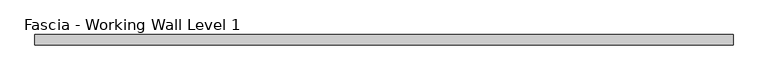
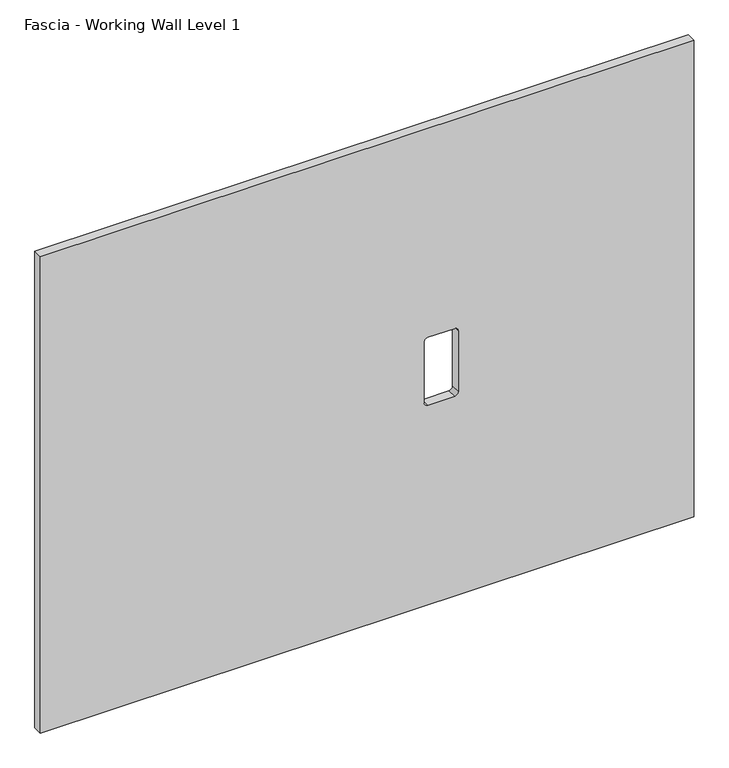
"""IFC4 building model written with IfcOpenShell, lengths in millimetres: proxy geometry, Fascia - Working Wall Level 1."""

from ifc_helpers import new_model, si_unit, point, frame, frame_2d, origin, place, context, project, spatial, polyline, circle_curve, trimmed, segment, composite_curve, outline, extrude, source, transform, mapped, element, save


def fascia_working_wall_level_1_edc649de(model_context):
    return source(origin(), model_context, "Body", "SweptSolid", [
        extrude(outline(polyline([(918.2606874, 578.8752112), (918.2606874, -613.4277862), (0.0, -613.4277862), (0.0, 578.8752112), (918.2606874, 578.8752112)]), holes=[composite_curve([segment(trimmed(circle_curve(frame_2d((391.2656731, 142.7295257)), 6.35), [point((391.2656731, 149.0795257))], [point((384.9156731, 142.7295257))], True, "CARTESIAN"), True, "CONTINUOUS"), segment(polyline([(384.9156731, 142.7295257), (384.9156731, 93.8853257)]), True, "CONTINUOUS"), segment(trimmed(circle_curve(frame_2d((391.2656731, 93.8853257)), 6.35), [point((384.9156731, 93.8853257))], [point((391.2656731, 87.5353257))], True, "CARTESIAN"), True, "CONTINUOUS"), segment(polyline([(391.2656731, 87.5353257), (509.0200731, 87.5353257)]), True, "CONTINUOUS"), segment(trimmed(circle_curve(frame_2d((509.0200731, 93.8853257)), 6.35), [point((509.0200731, 87.5353257))], [point((515.3700731, 93.8853257))], True, "CARTESIAN"), True, "CONTINUOUS"), segment(polyline([(515.3700731, 93.8853257), (515.3700731, 142.7295257)]), True, "CONTINUOUS"), segment(trimmed(circle_curve(frame_2d((509.0200731, 142.7295257)), 6.35), [point((515.3700731, 142.7295257))], [point((509.0200731, 149.0795257))], True, "CARTESIAN"), True, "CONTINUOUS"), segment(polyline([(509.0200731, 149.0795257), (391.2656731, 149.0795257)]), True, "CONTINUOUS")], self_intersect=False)]), frame((0.0, 6.75158, 0.0), z_axis=(0.0, 1.0, 0.0), x_axis=(0.0, 0.0, 1.0)), (0.0, 0.0, 1.0), 17.4752),
    ])


if __name__ == "__main__":
    model = new_model("IFC4")
    model_context = context("Model", 3, world=origin())
    ifc_project = project(units=[si_unit("LENGTHUNIT", "METRE", prefix="MILLI")], contexts=[model_context])
    site = spatial("IfcSite", under=ifc_project)
    building = spatial("IfcBuilding", under=site)
    placement = place(None, origin())
    fascia_working_wall_level_1_shape = fascia_working_wall_level_1_edc649de(model_context)
    element("IfcBuildingElementProxy", 1, Name="Fascia - Working Wall Level 1", ObjectType="Fascia - Working Wall Level 1", at=placement, inside=building, context=model_context, shape_type="MappedRepresentation", body=[
        mapped(fascia_working_wall_level_1_shape, transform((0.0, 0.0, 0.0), x_axis=(1.0, 0.0, 0.0), y_axis=(0.0, 1.0, 0.0), z_axis=(0.0, 0.0, 1.0))),
    ])
    save(model, "model.ifc")
